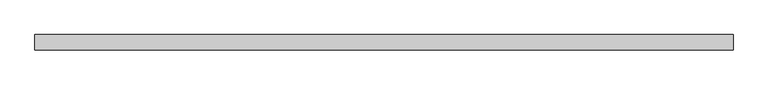
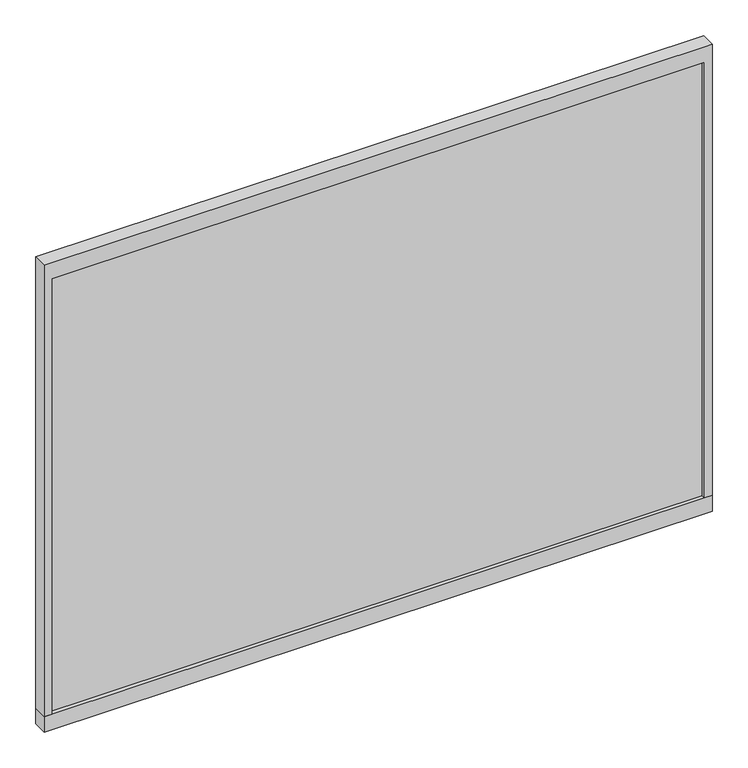
"""IFC4 building model written with IfcOpenShell, lengths in millimetres: furniture geometry."""

from ifc_helpers import new_model, si_unit, frame, origin, place, context, project, spatial, polyline, outline, extrude, source, transform, mapped, element, save


def furniture_474cf5e1(model_context):
    return source(origin(), model_context, "Body", "SweptSolid", [
        extrude(outline(polyline([(1100.137525, 5.1435002), (1100.137525, 0.0), (42.8625, 0.0), (42.8625, 5.1435002), (1100.137525, 5.1435002)])), frame((0.0, 0.0, 433.4002006), z_axis=(0.0, 0.0, 1.0), x_axis=(1.0, 0.0, 0.0)), (0.0, 0.0, 1.0), 746.0995579),
        extrude(outline(polyline([(1100.137525, -5.1435002), (42.8625, -5.1435002), (42.8625, 0.0), (1100.137525, 0.0), (1100.137525, -5.1435002)])), frame((0.0, 0.0, 433.4002006), z_axis=(0.0, 0.0, 1.0), x_axis=(1.0, 0.0, 0.0)), (0.0, 0.0, 1.0), 746.0995579),
        extrude(outline(polyline([(433.4002006, 1112.8375242), (1206.5, 1112.8375242), (1206.5, 30.1625008), (433.4002006, 30.1625008), (433.4002006, 42.8625), (1179.4997585, 42.8625), (1179.4997585, 1100.137525), (433.4002006, 1100.137525), (433.4002006, 1112.8375242)])), frame((0.0, -11.938, 0.0), z_axis=(0.0, 1.0, 0.0), x_axis=(0.0, 0.0, 1.0)), (0.0, 0.0, 1.0), 23.876),
        extrude(outline(polyline([(30.1625008, -11.938), (30.1625008, 11.938), (1112.8375242, 11.938), (1112.8375242, -11.938), (30.1625008, -11.938)])), frame((0.0, 0.0, 406.4), z_axis=(0.0, 0.0, 1.0), x_axis=(1.0, 0.0, 0.0)), (0.0, 0.0, 1.0), 27.0002006),
    ])


if __name__ == "__main__":
    model = new_model("IFC4")
    model_context = context("Model", 3, world=origin())
    ifc_project = project(units=[si_unit("LENGTHUNIT", "METRE", prefix="MILLI")], contexts=[model_context])
    site = spatial("IfcSite", under=ifc_project)
    building = spatial("IfcBuilding", under=site)
    placement = place(None, origin())
    furniture_shape = furniture_474cf5e1(model_context)
    element("IfcFurniture", 1, at=placement, inside=building, context=model_context, shape_type="MappedRepresentation", body=[
        mapped(furniture_shape, transform((0.0, 0.0, 0.0), x_axis=(1.0, 0.0, 0.0), y_axis=(0.0, 1.0, 0.0), z_axis=(0.0, 0.0, 1.0))),
    ])
    save(model, "model.ifc")
